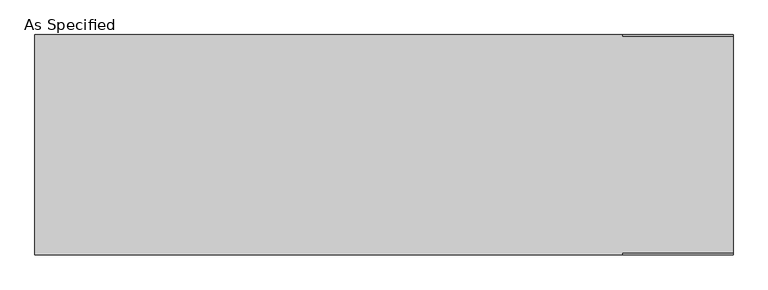
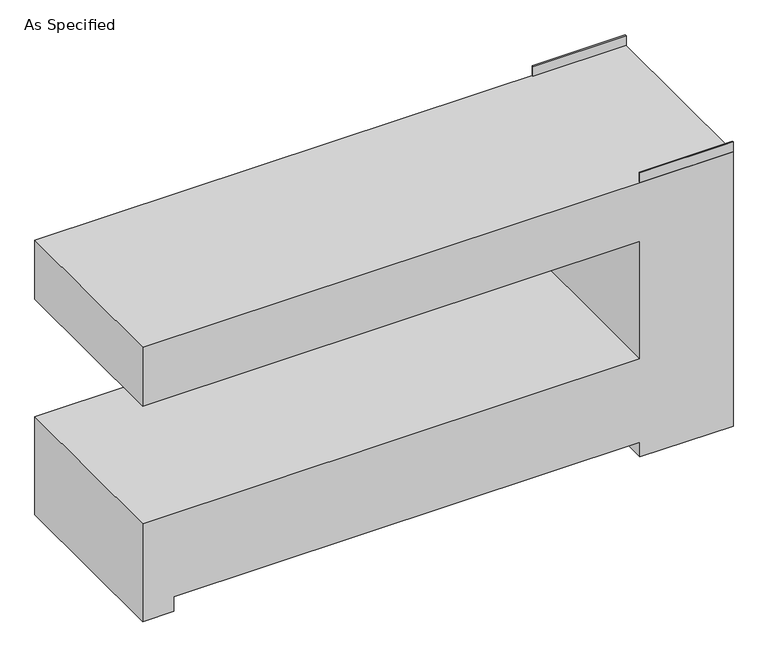
"""IFC4 building model written with IfcOpenShell, lengths in millimetres: proxy geometry, As Specified."""

from ifc_helpers import new_model, si_unit, frame, origin, place, context, project, spatial, polyline, outline, extrude, source, transform, mapped, element, save


def as_specified_67b1316a(model_context):
    return source(origin(), model_context, "Body", "SweptSolid", [
        extrude(outline(polyline([(990.6, 450.85), (990.6, 457.2), (1447.8, 457.2), (1447.8, 450.85), (990.6, 450.85)])), frame((0.0, 0.0, 1422.4), z_axis=(0.0, 0.0, 1.0), x_axis=(1.0, 0.0, 0.0)), (0.0, 0.0, 1.0), 50.8),
        extrude(outline(polyline([(990.6, -457.2), (990.6, -450.85), (1447.8, -450.85), (1447.8, -457.2), (990.6, -457.2)])), frame((0.0, 0.0, 1422.4), z_axis=(0.0, 0.0, 1.0), x_axis=(1.0, 0.0, 0.0)), (0.0, 0.0, 1.0), 50.8),
        extrude(outline(polyline([(1422.4, 1447.8), (1422.4, -1447.8), (1117.6, -1447.8), (1117.6, 990.6), (508.0, 990.6), (508.0, -1447.8), (0.0, -1447.8), (0.0, -1295.4), (76.2, -1295.4), (76.2, 990.6), (0.0, 990.6), (0.0, 1447.8), (1422.4, 1447.8)])), frame((0.0, -457.2, 0.0), z_axis=(0.0, 1.0, 0.0), x_axis=(0.0, 0.0, 1.0)), (0.0, 0.0, 1.0), 914.4),
    ])


if __name__ == "__main__":
    model = new_model("IFC4")
    model_context = context("Model", 3, world=origin())
    ifc_project = project(units=[si_unit("LENGTHUNIT", "METRE", prefix="MILLI")], contexts=[model_context])
    site = spatial("IfcSite", under=ifc_project)
    building = spatial("IfcBuilding", under=site)
    placement = place(None, origin())
    as_specified_shape = as_specified_67b1316a(model_context)
    element("IfcBuildingElementProxy", 1, Name="As Specified", ObjectType="As Specified", at=placement, inside=building, context=model_context, shape_type="MappedRepresentation", body=[
        mapped(as_specified_shape, transform((0.0, 0.0, 0.0), x_axis=(1.0, 0.0, 0.0), y_axis=(0.0, 1.0, 0.0), z_axis=(0.0, 0.0, 1.0))),
    ])
    save(model, "model.ifc")
